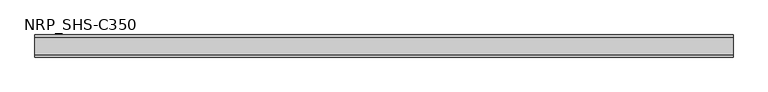
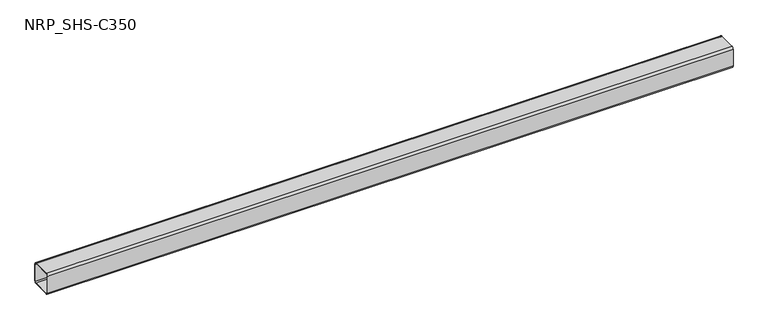
"""IFC4 building model written with IfcOpenShell, lengths in millimetres: member geometry, NRP_SHS-C350."""

from ifc_helpers import new_model, si_unit, point, frame, frame_2d, origin, place, context, project, spatial, polyline, circle_curve, trimmed, segment, composite_curve, outline, extrude, source, transform, mapped, element, save


def nrp_shs_c350_2eaf190c(model_context):
    return source(origin(), model_context, "Body", "SweptSolid", [
        extrude(outline(composite_curve([segment(polyline([(44.5, 35.75), (44.5, -35.75)]), True, "CONTINUOUS"), segment(trimmed(circle_curve(frame_2d((35.75, -35.75)), 8.75), [point((44.5, -35.75))], [point((35.75, -44.5))], False, "CARTESIAN"), True, "CONTINUOUS"), segment(polyline([(35.75, -44.5), (-35.75, -44.5)]), True, "CONTINUOUS"), segment(trimmed(circle_curve(frame_2d((-35.75, -35.75)), 8.75), [point((-35.75, -44.5))], [point((-44.5, -35.75))], False, "CARTESIAN"), True, "CONTINUOUS"), segment(polyline([(-44.5, -35.75), (-44.5, 35.75)]), True, "CONTINUOUS"), segment(trimmed(circle_curve(frame_2d((-35.75, 35.75)), 8.75), [point((-44.5, 35.75))], [point((-35.75, 44.5))], False, "CARTESIAN"), True, "CONTINUOUS"), segment(polyline([(-35.75, 44.5), (35.75, 44.5)]), True, "CONTINUOUS"), segment(trimmed(circle_curve(frame_2d((35.75, 35.75)), 8.75), [point((35.75, 44.5))], [point((44.5, 35.75))], False, "CARTESIAN"), True, "CONTINUOUS")], self_intersect=False), holes=[composite_curve([segment(trimmed(circle_curve(frame_2d((-35.75, 35.75)), 5.25), [point((-35.75, 41.0))], [point((-41.0, 35.75))], True, "CARTESIAN"), True, "CONTINUOUS"), segment(polyline([(-41.0, 35.75), (-41.0, -35.75)]), True, "CONTINUOUS"), segment(trimmed(circle_curve(frame_2d((-35.75, -35.75)), 5.25), [point((-41.0, -35.75))], [point((-35.75, -41.0))], True, "CARTESIAN"), True, "CONTINUOUS"), segment(polyline([(-35.75, -41.0), (35.75, -41.0)]), True, "CONTINUOUS"), segment(trimmed(circle_curve(frame_2d((35.75, -35.75)), 5.25), [point((35.75, -41.0))], [point((41.0, -35.75))], True, "CARTESIAN"), True, "CONTINUOUS"), segment(polyline([(41.0, -35.75), (41.0, 35.75)]), True, "CONTINUOUS"), segment(trimmed(circle_curve(frame_2d((35.75, 35.75)), 5.25), [point((41.0, 35.75))], [point((35.75, 41.0))], True, "CARTESIAN"), True, "CONTINUOUS"), segment(polyline([(35.75, 41.0), (-35.75, 41.0)]), True, "CONTINUOUS")], self_intersect=False)]), frame((-1401.0, 0.0, 0.0), z_axis=(1.0, 0.0, 0.0), x_axis=(0.0, 1.0, 0.0)), (0.0, 0.0, 1.0), 2802.0),
    ])


if __name__ == "__main__":
    model = new_model("IFC4")
    model_context = context("Model", 3, world=origin())
    ifc_project = project(units=[si_unit("LENGTHUNIT", "METRE", prefix="MILLI")], contexts=[model_context])
    site = spatial("IfcSite", under=ifc_project)
    building = spatial("IfcBuilding", under=site)
    placement = place(None, origin())
    nrp_shs_c350_shape = nrp_shs_c350_2eaf190c(model_context)
    element("IfcMember", 1, ObjectType="NRP_SHS-C350", at=placement, inside=building, context=model_context, shape_type="MappedRepresentation", body=[
        mapped(nrp_shs_c350_shape, transform((0.0, 0.0, 0.0), x_axis=(1.0, 0.0, 0.0), y_axis=(0.0, 1.0, 0.0), z_axis=(0.0, 0.0, 1.0))),
    ])
    save(model, "model.ifc")
